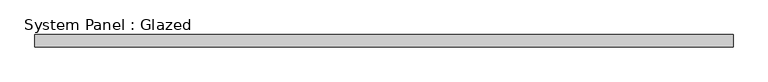
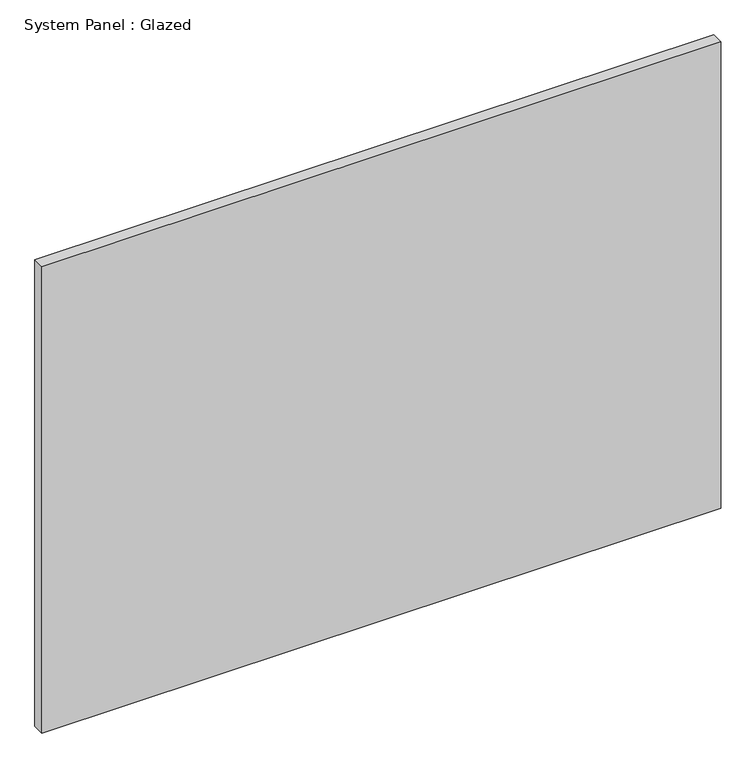
"""IFC4 building model written with IfcOpenShell, lengths in millimetres: plate geometry, System Panel : Glazed."""

from ifc_helpers import new_model, si_unit, origin, origin_with_axes, place, context, project, spatial, polyline, outline, extrude, source, transform, mapped, element, save


def system_panel_glazed_2162346c(model_context):
    return source(origin(), model_context, "Body", "SweptSolid", [
        extrude(outline(polyline([(705.357143, 24.5), (-705.357143, 24.5), (-705.357143, 49.5), (705.357143, 49.5), (705.357143, 24.5)])), origin_with_axes(), (0.0, 0.0, 1.0), 1025.0),
    ])


if __name__ == "__main__":
    model = new_model("IFC4")
    model_context = context("Model", 3, world=origin())
    ifc_project = project(units=[si_unit("LENGTHUNIT", "METRE", prefix="MILLI")], contexts=[model_context])
    site = spatial("IfcSite", under=ifc_project)
    building = spatial("IfcBuilding", under=site)
    placement = place(None, origin())
    system_panel_glazed_shape = system_panel_glazed_2162346c(model_context)
    element("IfcPlate", 1, ObjectType="System Panel : Glazed", at=placement, inside=building, context=model_context, shape_type="MappedRepresentation", body=[
        mapped(system_panel_glazed_shape, transform((0.0, 0.0, 0.0), x_axis=(1.0, 0.0, 0.0), y_axis=(0.0, 1.0, 0.0), z_axis=(0.0, 0.0, 1.0))),
    ])
    save(model, "model.ifc")
